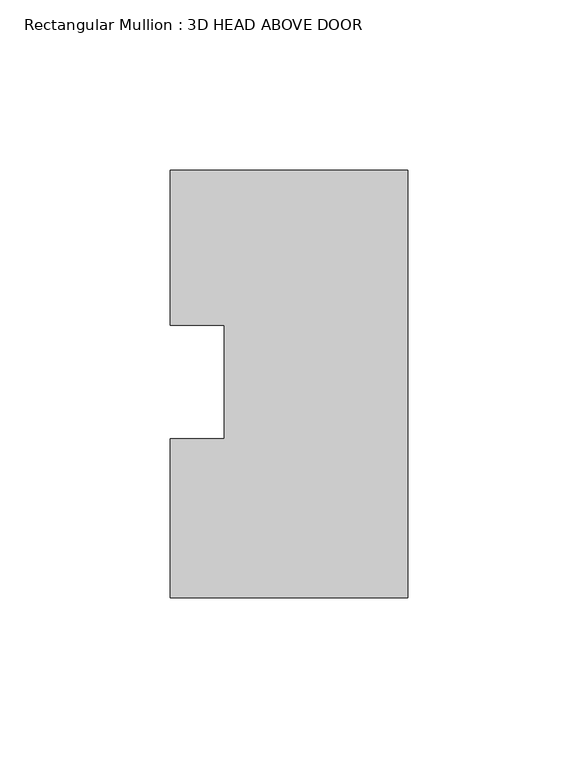
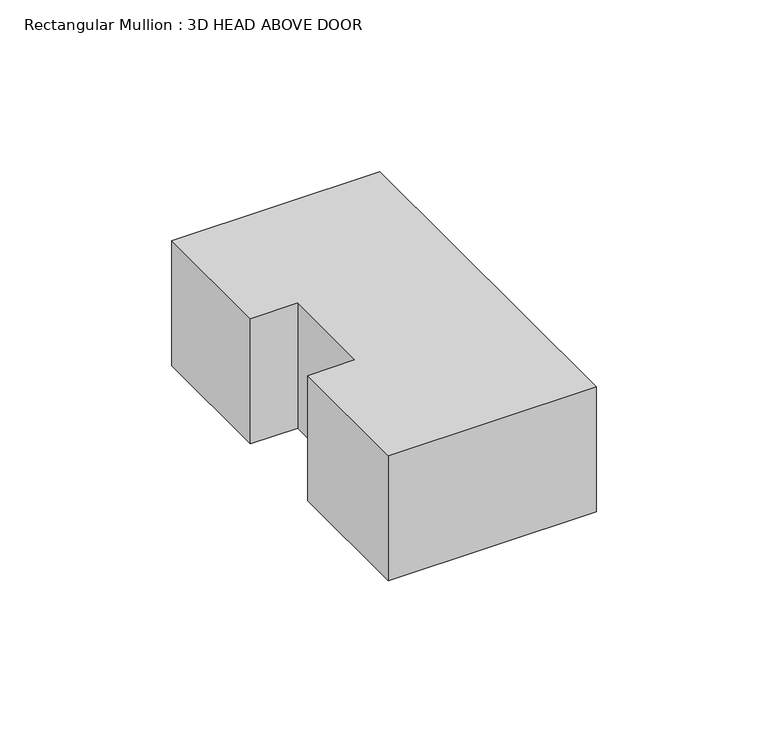
"""IFC4 building model written with IfcOpenShell, lengths in millimetres: member geometry, Rectangular Mullion : 3D HEAD ABOVE DOOR."""

import ifcopenshell
import ifcopenshell.guid

model = None  # the IFC model being written
_history = None  # IfcOwnerHistory: only IFC2X3 demands one
_inside = {}  # id of a spatial element -> (the spatial element, [elements in it])
_under = {}  # id of a project, library or spatial element -> (it, [spatial elements below it])
_declared = {}  # id of a project -> (the project, [libraries it declares])
_typed = {}  # id of a type object -> (the type object, [elements of that type])
_made_of = {}  # id of a material, layer set ... -> (it, [elements and type objects made of it])


def new_model(schema):
    """Start an empty IFC model of exactly this schema.

    Asked for "IFC4X3", IfcOpenShell would pick the latest addendum, in which some entities
    have other attributes; the version numbers below select the first issue.
    IFC2X3 requires an IfcOwnerHistory on every rooted entity: one is made here for all.
    """
    global model, _history
    if schema == "IFC4X3":
        model = ifcopenshell.file(schema_version=(4, 3, 0, 0))
    else:
        model = ifcopenshell.file(schema=schema)
    _inside.clear()
    _under.clear()
    _declared.clear()
    _typed.clear()
    _made_of.clear()
    _history = None
    if model.schema == "IFC2X3":
        org = make("IfcOrganization", Name="unknown")
        user = make(
            "IfcPersonAndOrganization",
            ThePerson=make("IfcPerson", FamilyName="unknown"),
            TheOrganization=org,
        )
        app = make(
            "IfcApplication",
            ApplicationDeveloper=org,
            Version="unknown",
            ApplicationFullName="unknown",
            ApplicationIdentifier="unknown",
        )
        _history = make(
            "IfcOwnerHistory",
            OwningUser=user,
            OwningApplication=app,
            ChangeAction="ADDED",
            CreationDate=0,
        )
    return model


def make(cls, **values):
    """One entity of the class cls with the attributes given. An attribute that is None is left unset."""
    return model.create_entity(
        cls, **{name: value for name, value in values.items() if value is not None}
    )


def rooted(cls, **values):
    """An entity with a GlobalId (a new one), such as an element, a storey or a relation."""
    return make(cls, GlobalId=ifcopenshell.guid.new(), OwnerHistory=_history, **values)


def si_unit(unit_type, name, prefix=None):
    """IfcSIUnit, for example si_unit("LENGTHUNIT", "METRE", prefix="MILLI")."""
    return make("IfcSIUnit", UnitType=unit_type, Prefix=prefix, Name=name)


def assignment(units):
    """IfcUnitAssignment: the units of a project."""
    return None if units is None else make("IfcUnitAssignment", Units=units)


def point(xyz):
    """IfcCartesianPoint."""
    return None if xyz is None else make("IfcCartesianPoint", Coordinates=xyz)


def direction(xyz):
    """IfcDirection."""
    return None if xyz is None else make("IfcDirection", DirectionRatios=xyz)


def frame(location, z_axis=None, x_axis=None):
    """IfcAxis2Placement3D, a coordinate frame: its origin and axes. An axis left out is left unset."""
    return make(
        "IfcAxis2Placement3D",
        Location=point(location),
        Axis=direction(z_axis),
        RefDirection=direction(x_axis),
    )


def origin():
    """The frame at (0, 0, 0) with its axes left unset."""
    return frame((0.0, 0.0, 0.0))


def place(relative_to, where):
    """IfcLocalPlacement: puts the frame where relative to a parent placement (None: the world)."""
    return make(
        "IfcLocalPlacement", PlacementRelTo=relative_to, RelativePlacement=where
    )


def context(
    kind, dimensions, precision=None, world=None, true_north=None, identifier=None
):
    """IfcGeometricRepresentationContext, for example the 3D "Model" context."""
    return make(
        "IfcGeometricRepresentationContext",
        ContextIdentifier=identifier,
        ContextType=kind,
        CoordinateSpaceDimension=dimensions,
        Precision=precision,
        WorldCoordinateSystem=world,
        TrueNorth=true_north,
    )


def project(units=None, contexts=None):
    """IfcProject with its units and contexts."""
    return rooted(
        "IfcProject",
        Name="project",
        RepresentationContexts=contexts,
        UnitsInContext=assignment(units),
    )


def spatial(cls, under=None, at=None, **own):
    """A site, building, storey or space (cls), placed at a placement, below another one or the project."""
    s = rooted(cls, ObjectPlacement=at, **own)
    if under is not None:
        _under.setdefault(under.id(), (under, []))[1].append(s)
    return s


def polyline(points):
    """IfcPolyline through the points."""
    return make("IfcPolyline", Points=[point(p) for p in points])


def outline(outer, holes=None, kind="AREA"):
    """IfcArbitraryClosedProfileDef: a profile drawn as a closed curve; with holes, ...WithVoids."""
    if holes is None:
        return make("IfcArbitraryClosedProfileDef", ProfileType=kind, OuterCurve=outer)
    return make(
        "IfcArbitraryProfileDefWithVoids",
        ProfileType=kind,
        OuterCurve=outer,
        InnerCurves=holes,
    )


def extrude(swept, where, along, depth):
    """IfcExtrudedAreaSolid: the profile swept, set in the frame where, extruded along a direction by depth."""
    return make(
        "IfcExtrudedAreaSolid",
        SweptArea=swept,
        Position=where,
        ExtrudedDirection=direction(along),
        Depth=depth,
    )


def shape(context_of_items, identifier, shape_type, items):
    """IfcShapeRepresentation: the items that make up one representation, for example the "Body"."""
    return make(
        "IfcShapeRepresentation",
        ContextOfItems=context_of_items,
        RepresentationIdentifier=identifier,
        RepresentationType=shape_type,
        Items=items,
    )


def source(mapping_origin, context_of_items, identifier, shape_type, items):
    """IfcRepresentationMap: a shape defined once, which mapped items show again and again."""
    return make(
        "IfcRepresentationMap",
        MappingOrigin=mapping_origin,
        MappedRepresentation=shape(context_of_items, identifier, shape_type, items),
    )


def transform(
    local_origin,
    x_axis=None,
    y_axis=None,
    z_axis=None,
    scale=None,
    scale2=None,
    scale3=None,
    uniform=True,
):
    """IfcCartesianTransformationOperator3D, or its non-uniform kind. x_axis, y_axis, z_axis: its Axis1, 2, 3."""
    if uniform:
        return make(
            "IfcCartesianTransformationOperator3D",
            Axis1=direction(x_axis),
            Axis2=direction(y_axis),
            LocalOrigin=point(local_origin),
            Scale=scale,
            Axis3=direction(z_axis),
        )
    return make(
        "IfcCartesianTransformationOperator3DnonUniform",
        Axis1=direction(x_axis),
        Axis2=direction(y_axis),
        LocalOrigin=point(local_origin),
        Scale=scale,
        Axis3=direction(z_axis),
        Scale2=scale2,
        Scale3=scale3,
    )


def mapped(mapping_source, mapping_target):
    """IfcMappedItem: shows the shape of a source again, moved by a transform."""
    return make(
        "IfcMappedItem", MappingSource=mapping_source, MappingTarget=mapping_target
    )


def made_of(thing, what):
    """Note that an element or type object is made of a material, layer set ...; save() writes the relation."""
    if what is not None:
        _made_of.setdefault(what.id(), (what, []))[1].append(thing)
    return thing


def element(
    cls,
    number,
    at=None,
    inside=None,
    cuts=None,
    type_object=None,
    material=None,
    context=None,
    identifier="Body",
    shape_type=None,
    held_by="IfcProductDefinitionShape",
    body=None,
    shapes=None,
    **own,
):
    """One element of the class cls, such as IfcWall. Its Tag is "e" and its number.

    at: its placement. inside: the storey or other place that contains it. cuts: it is an
    opening in that element (IfcRelVoidsElement). A single representation is given by context,
    identifier, shape_type and body (its items); several are given by shapes. held_by: the class
    of the entity that holds the representations. save() writes the other relations.
    """
    e = rooted(cls, Tag="e%d" % number, ObjectPlacement=at, **own)
    if body is not None:
        shapes = [shape(context, identifier, shape_type, body)]
    if shapes is not None:
        e.Representation = make(held_by, Representations=shapes)
    if inside is not None:
        _inside.setdefault(inside.id(), (inside, []))[1].append(e)
    if cuts is not None:
        rooted(
            "IfcRelVoidsElement", RelatingBuildingElement=cuts, RelatedOpeningElement=e
        )
    if type_object is not None:
        _typed.setdefault(type_object.id(), (type_object, []))[1].append(e)
    return made_of(e, material)


def aggregate(whole, parts):
    """IfcRelAggregates: a whole, such as a stair, and the parts it consists of."""
    return rooted("IfcRelAggregates", RelatingObject=whole, RelatedObjects=parts)


def save(model, path):
    """Write the relations noted so far, then the file.

    IfcRelAggregates (storeys below a building ...), IfcRelContainedInSpatialStructure (elements
    in a storey), IfcRelDefinesByType, IfcRelAssociatesMaterial and IfcRelDeclares: one each for
    every whole, place, type object, material and project.
    """
    for whole, parts in _under.values():
        aggregate(whole, parts)
    for where, things in _inside.values():
        rooted(
            "IfcRelContainedInSpatialStructure",
            RelatedElements=things,
            RelatingStructure=where,
        )
    for kind, things in _typed.values():
        rooted("IfcRelDefinesByType", RelatedObjects=things, RelatingType=kind)
    for what, things in _made_of.values():
        rooted("IfcRelAssociatesMaterial", RelatedObjects=things, RelatingMaterial=what)
    for by, libraries in _declared.values():
        rooted("IfcRelDeclares", RelatingContext=by, RelatedDefinitions=libraries)
    model.write(path)


def rectangular_mullion_3d_head_above_door_60d94229(model_context):
    return source(origin(), model_context, "Body", "SweptSolid", [
        extrude(outline(polyline([(-69.85, 19.9402744), (-69.85, 65.5359978), (0.0, 65.5359978), (0.0, -60.2448022), (-69.85, -60.2448022), (-69.85, -13.3957223), (-53.975, -13.3957223), (-53.975, 19.9402744), (-69.85, 19.9402744)])), frame((0.0, 0.0, -44.45), z_axis=(0.0, 0.0, 1.0), x_axis=(1.0, 0.0, 0.0)), (0.0, 0.0, 1.0), 44.45),
    ])


if __name__ == "__main__":
    model = new_model("IFC4")
    model_context = context("Model", 3, world=origin())
    ifc_project = project(units=[si_unit("LENGTHUNIT", "METRE", prefix="MILLI")], contexts=[model_context])
    site = spatial("IfcSite", under=ifc_project)
    building = spatial("IfcBuilding", under=site)
    placement = place(None, origin())
    rectangular_mullion_3d_head_above_door_shape = rectangular_mullion_3d_head_above_door_60d94229(model_context)
    element("IfcMember", 1, ObjectType="Rectangular Mullion : 3D HEAD ABOVE DOOR", at=placement, inside=building, context=model_context, shape_type="MappedRepresentation", body=[
        mapped(rectangular_mullion_3d_head_above_door_shape, transform((0.0, 0.0, 0.0), x_axis=(1.0, 0.0, 0.0), y_axis=(0.0, 1.0, 0.0), z_axis=(0.0, 0.0, 1.0))),
    ])
    save(model, "model.ifc")
